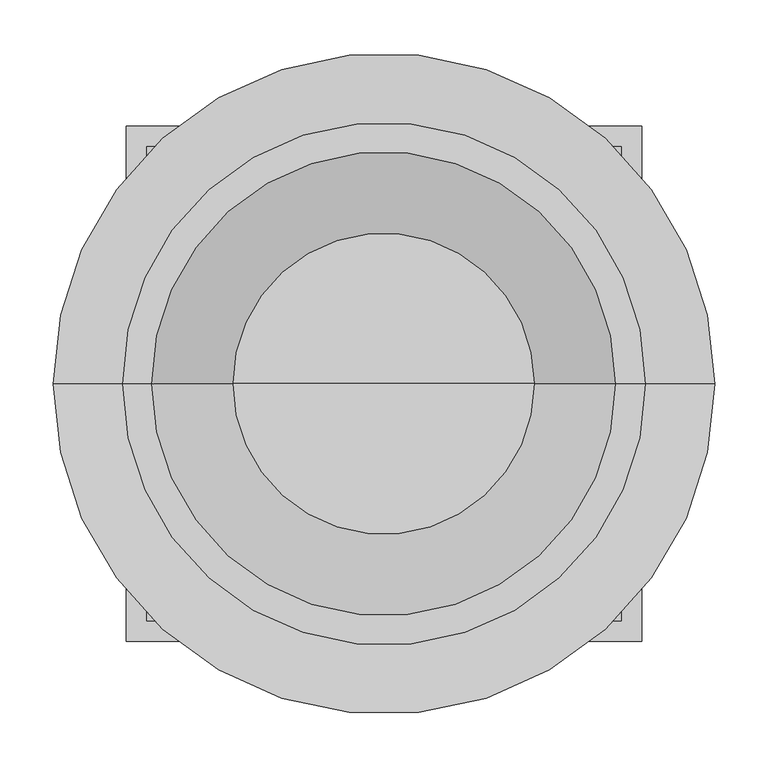
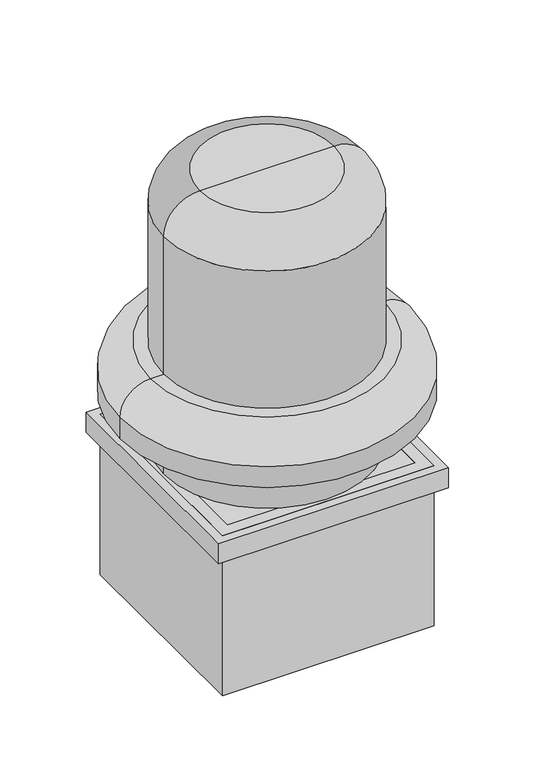
"""IFC4 building model written with IfcOpenShell, lengths in millimetres: proxy geometry."""

from ifc_helpers import new_model, si_unit, point, frame, origin, place, context, project, spatial, polyline, circle_curve, ellipse_curve, trimmed, outline, extrude, faceted_brep, source, transform, mapped, element, save
from ifc_brep_helpers import plane_surface, cylinder_surface, revolved_surface, advanced_brep


def mechanical_equipment_9ff21985(model_context):
    return source(origin(), model_context, "Body", "SolidModel", [
        extrude(outline(polyline([(-57.2124116, 222.25), (-57.2124116, -222.25), (-501.7124116, -222.25), (-501.7124116, 222.25), (-57.2124116, 222.25)]), holes=[polyline([(-476.3124116, 196.85), (-476.3124116, -196.85), (-82.6124116, -196.85), (-82.6124116, 196.85), (-476.3124116, 196.85)])]), frame((0.0, 0.0, 3.175), z_axis=(0.0, 0.0, 1.0), x_axis=(1.0, 0.0, 0.0)), (0.0, 0.0, 1.0), 355.6),
        advanced_brep(
        [(-279.4624116, 0.0, 581.025), (-524.2945991, 0.0, 581.025), (-34.6302241, 0.0, 581.025), (-589.0249116, 0.0, 469.9), (-279.4624116, 0.0, 469.9), (30.1000884, 0.0, 469.9), (30.1000884, 0.0, 516.2947611), (-589.0249116, 0.0, 516.2946875)],
        [
            (0, 1),
            (1, 2, circle_curve(frame((-279.4624116, 0.0, 581.025), z_axis=(0.0, 0.0, 1.0), x_axis=(1.0, 0.0, 0.0)), 244.8321875)),
            (2, 0),
            (2, 1, circle_curve(frame((-279.4624116, 0.0, 581.025), z_axis=(0.0, 0.0, 1.0), x_axis=(1.0, 0.0, 0.0)), 244.8321875)),
            (3, 4),
            (4, 5),
            (5, 3, circle_curve(frame((-279.4624116, 0.0, 469.9), z_axis=(0.0, 0.0, -1.0), x_axis=(1.0, 0.0, 0.0)), 309.5625)),
            (3, 5, circle_curve(frame((-279.4624116, 0.0, 469.9), z_axis=(0.0, 0.0, -1.0), x_axis=(1.0, 0.0, 0.0)), 309.5625)),
            (5, 6),
            (6, 7, circle_curve(frame((-279.4624116, 0.0, 516.2946875), z_axis=(0.0, 0.0, -1.0), x_axis=(1.0, 0.0, 0.0)), 309.5625)),
            (7, 3),
            (7, 6, circle_curve(frame((-279.4624116, 0.0, 516.2946875), z_axis=(0.0, 0.0, -1.0), x_axis=(1.0, 0.0, 0.0)), 309.5625)),
            (6, 2, circle_curve(frame((-34.6302241, 0.0, 516.2946875), z_axis=(0.0, -1.0, 0.0), x_axis=(1.0, 0.0, 0.0)), 64.7303125)),
            (1, 7, circle_curve(frame((-524.2945991, 0.0, 516.2946875), z_axis=(0.0, -1.0, 0.0), x_axis=(-1.0, 0.0, 0.0)), 64.7303125)),
        ],
        [
            plane_surface(frame((-279.4624116, 0.0, 581.025), z_axis=(0.0, 0.0, 1.0), x_axis=(1.0, 0.0, 0.0))),
            plane_surface(frame((-279.4624116, 0.0, 469.9), z_axis=(0.0, 0.0, -1.0), x_axis=(1.0, 0.0, 0.0))),
            cylinder_surface(frame((-279.4624116, 0.0, 469.8672007), z_axis=(0.0, 0.0, 1.0), x_axis=(1.0, 0.0, 0.0)), 309.5625),
            revolved_surface(trimmed(ellipse_curve(frame((-34.6302241, 0.0, 516.2946875), z_axis=(0.0, -1.0, 0.0), x_axis=(1.0, 0.0, 0.0)), 64.7303125, 64.7303125), [point((30.1000884, 0.0, 516.2946875))], [point((-34.6302241, 0.0, 581.025))], True, "CARTESIAN"), (-279.4624116, 0.0, 560.7138531), (0.0, 0.0, 1.0)),
        ],
        [
            (0, [[1, 2, 3]]),
            (0, [[4, -1, -3]]),
            (1, [[5, 6, 7]]),
            (1, [[-5, 8, -6]]),
            (2, [[9, 10, 11, -7]]),
            (2, [[-11, 12, -9, -8]]),
            (3, [[-10, 13, -2, 14]]),
            (3, [[-4, -13, -12, -14]]),
        ],
    ),
        faceted_brep([(-38.1624116, 241.3, 358.775), (-38.1624116, 241.3, 314.325), (-520.7624116, 241.3, 314.325), (-520.7624116, 241.3, 358.775), (-38.1624116, -241.3, 358.775), (-520.7624116, -241.3, 358.775), (-520.7624116, -241.3, 314.325), (-38.1624116, -241.3, 314.325), (-39.7499116, 239.7125, 314.325), (-519.1749116, 239.7125, 314.325), (-519.1749116, -239.7125, 314.325), (-39.7499116, -239.7125, 314.325), (-39.7499116, -239.7125, 357.1875), (-519.1749116, -239.7125, 357.1875), (-519.1749116, 239.7125, 357.1875), (-39.7499116, 239.7125, 357.1875)], [[[0, 1, 2, 3]], [[4, 5, 6, 7]], [[3, 5, 4, 0]], [[2, 6, 5, 3]], [[1, 7, 6, 2], [8, 9, 10, 11]], [[0, 4, 7, 1]], [[12, 13, 14, 15]], [[15, 8, 11, 12]], [[14, 9, 8, 15]], [[13, 10, 9, 14]], [[12, 11, 10, 13]]]),
        advanced_brep(
        [(-496.9499116, 0.0, 885.825), (-496.9499116, 0.0, 358.775), (-62.7686616, 0.0, 358.775), (-62.7686616, 0.0, 885.825), (-279.8592866, 0.0, 962.025), (-420.7499116, 0.0, 962.025), (-138.9686616, 0.0, 962.025), (-279.8592866, 0.0, 358.775)],
        [
            (0, 1),
            (1, 2, circle_curve(frame((-279.8592866, 0.0, 358.775), z_axis=(0.0, 0.0, 1.0), x_axis=(1.0, 0.0, 0.0)), 217.090625)),
            (2, 3),
            (3, 0, circle_curve(frame((-279.8592866, 0.0, 885.825), z_axis=(0.0, 0.0, -1.0), x_axis=(1.0, 0.0, 0.0)), 217.090625)),
            (2, 1, circle_curve(frame((-279.8592866, 0.0, 358.775), z_axis=(0.0, 0.0, 1.0), x_axis=(1.0, 0.0, 0.0)), 217.090625)),
            (0, 3, circle_curve(frame((-279.8592866, 0.0, 885.825), z_axis=(0.0, 0.0, -1.0), x_axis=(1.0, 0.0, 0.0)), 217.090625)),
            (4, 5),
            (5, 6, circle_curve(frame((-279.8592866, 0.0, 962.025), z_axis=(0.0, 0.0, 1.0), x_axis=(1.0, 0.0, 0.0)), 140.890625)),
            (6, 4),
            (6, 5, circle_curve(frame((-279.8592866, 0.0, 962.025), z_axis=(0.0, 0.0, 1.0), x_axis=(1.0, 0.0, 0.0)), 140.890625)),
            (1, 7),
            (7, 2),
            (5, 0, circle_curve(frame((-420.7499116, 0.0, 885.825), z_axis=(0.0, -1.0, 0.0), x_axis=(-1.0, 0.0, 0.0)), 76.2)),
            (3, 6, circle_curve(frame((-138.9686616, 0.0, 885.825), z_axis=(0.0, -1.0, 0.0), x_axis=(1.0, 0.0, 0.0)), 76.2)),
        ],
        [
            cylinder_surface(frame((-279.8592866, 0.0, 407.0638052), z_axis=(0.0, 0.0, 1.0), x_axis=(1.0, 0.0, 0.0)), 217.090625),
            plane_surface(frame((-279.8592866, 0.0, 962.025), z_axis=(0.0, 0.0, 1.0), x_axis=(1.0, 0.0, 0.0))),
            plane_surface(frame((-279.8592866, 0.0, 358.775), z_axis=(0.0, 0.0, -1.0), x_axis=(1.0, 0.0, 0.0))),
            revolved_surface(trimmed(ellipse_curve(frame((-138.9686616, 0.0, 885.825), z_axis=(0.0, -1.0, 0.0), x_axis=(1.0, 0.0, 0.0)), 76.2, 76.2), [point((-62.7686616, 0.0, 885.825))], [point((-138.9686616, 0.0, 962.025))], True, "CARTESIAN"), (-279.8592866, 0.0, 407.0638052), (0.0, 0.0, 1.0)),
        ],
        [
            (0, [[1, 2, 3, 4]]),
            (0, [[-3, 5, -1, 6]]),
            (1, [[7, 8, 9]]),
            (1, [[-9, 10, -7]]),
            (2, [[11, 12, -2]]),
            (2, [[-12, -11, -5]]),
            (3, [[13, -4, 14, -8]]),
            (3, [[-14, -6, -13, -10]]),
        ],
    ),
    ])


if __name__ == "__main__":
    model = new_model("IFC4")
    model_context = context("Model", 3, world=origin())
    ifc_project = project(units=[si_unit("LENGTHUNIT", "METRE", prefix="MILLI")], contexts=[model_context])
    site = spatial("IfcSite", under=ifc_project)
    building = spatial("IfcBuilding", under=site)
    placement = place(None, origin())
    mechanical_equipment_shape = mechanical_equipment_9ff21985(model_context)
    element("IfcBuildingElementProxy", 1, Name="Mechanical Equipment", at=placement, inside=building, context=model_context, shape_type="MappedRepresentation", body=[
        mapped(mechanical_equipment_shape, transform((0.0, 0.0, 0.0), x_axis=(1.0, 0.0, 0.0), y_axis=(0.0, 1.0, 0.0), z_axis=(0.0, 0.0, 1.0))),
    ])
    save(model, "model.ifc")
